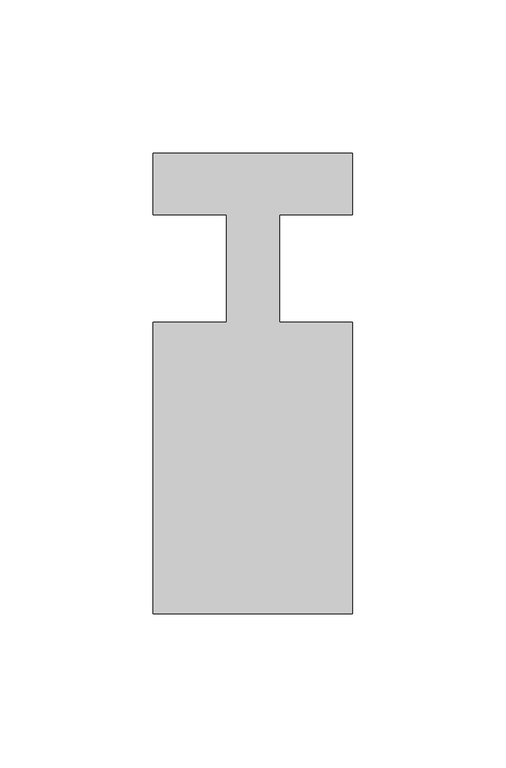
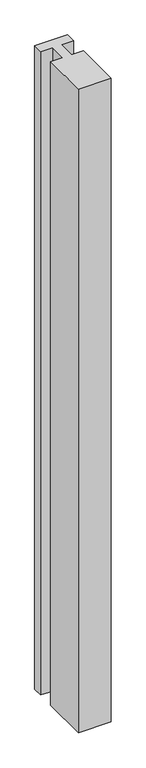
"""IFC4 building model written with IfcOpenShell, lengths in millimetres: member geometry."""

from ifc_helpers import new_model, si_unit, frame, origin, place, context, project, spatial, polyline, outline, extrude, source, transform, mapped, element, save


def member_02aa2c8d(model_context):
    return source(origin(), model_context, "Body", "SweptSolid", [
        extrude(outline(polyline([(0.0, 37.0), (0.0, 17.0), (-23.8125, 17.0), (-23.8125, -18.0), (0.0, -18.0), (0.0, -113.0), (-65.0, -113.0), (-65.0, -18.0), (-41.1875, -18.0), (-41.1875, 17.0), (-65.0, 17.0), (-65.0, 37.0), (0.0, 37.0)])), frame((0.0, 0.0, -1350.0), z_axis=(0.0, 0.0, 1.0), x_axis=(1.0, 0.0, 0.0)), (0.0, 0.0, 1.0), 1350.0),
    ])


if __name__ == "__main__":
    model = new_model("IFC4")
    model_context = context("Model", 3, world=origin())
    ifc_project = project(units=[si_unit("LENGTHUNIT", "METRE", prefix="MILLI")], contexts=[model_context])
    site = spatial("IfcSite", under=ifc_project)
    building = spatial("IfcBuilding", under=site)
    placement = place(None, origin())
    member_shape = member_02aa2c8d(model_context)
    element("IfcMember", 1, at=placement, inside=building, context=model_context, shape_type="MappedRepresentation", body=[
        mapped(member_shape, transform((0.0, 0.0, 0.0), x_axis=(1.0, 0.0, 0.0), y_axis=(0.0, 1.0, 0.0), z_axis=(0.0, 0.0, 1.0))),
    ])
    save(model, "model.ifc")
